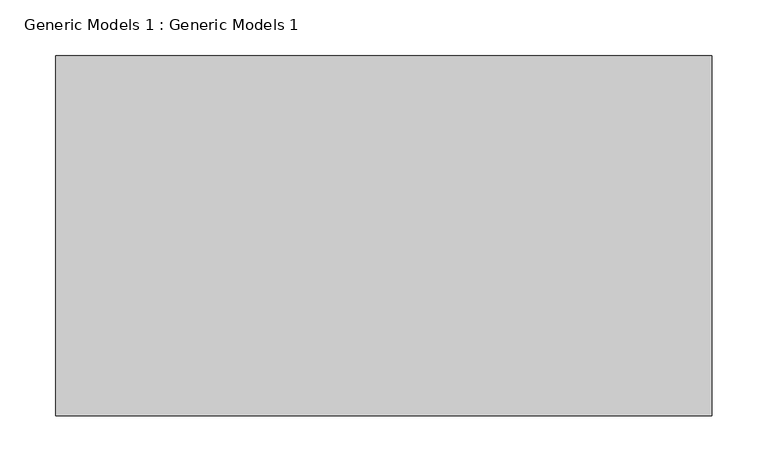
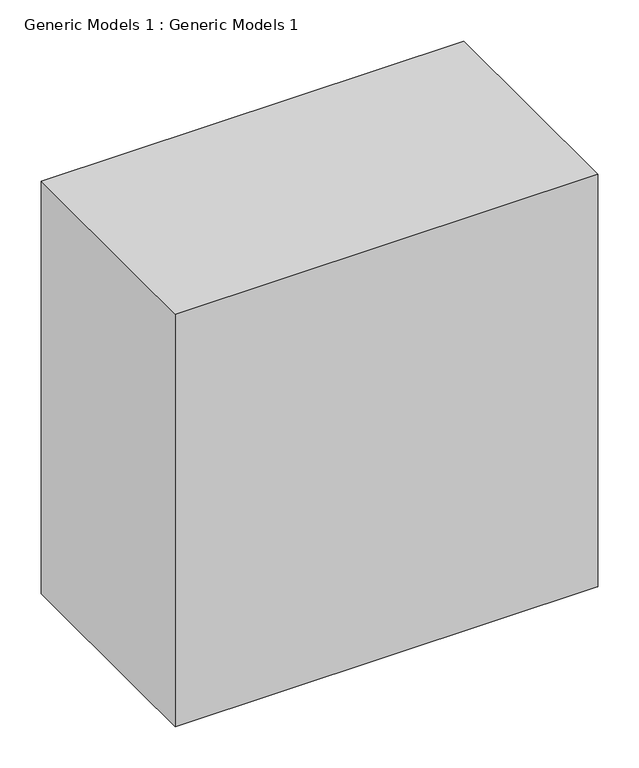
"""IFC4 building model written with IfcOpenShell, lengths in millimetres: proxy geometry, Generic Models 1 : Generic Models 1."""

from ifc_helpers import new_model, si_unit, origin, place, context, project, spatial, faceted_brep, source, transform, mapped, element, save


def generic_models_1_generic_models_1_a4f8b64b(model_context):
    return source(origin(), model_context, "Body", "Brep", [
        faceted_brep([(3575.529801, 6306.0784674, -609.6), (3575.529801, 5982.2284674, -609.6), (3575.0071868, 5982.2284674, -609.6), (2984.979801, 5982.2284674, -609.6), (2984.979801, 6070.0031373, -609.6), (2984.979801, 6306.0784674, -609.6), (3575.529801, 6306.0784674, 0.0), (2984.979801, 6306.0784674, 0.0), (2984.979801, 6070.0031373, 0.0), (2984.979801, 5982.2284674, 0.0), (3575.0071868, 5982.2284674, 0.0), (3575.529801, 5982.2284674, 0.0), (2984.979801, 6306.0784674, -254.0), (2984.979801, 6306.0784674, -127.0), (2984.979801, 5982.2284674, -254.0), (2984.979801, 5982.2284674, -127.0)], [[[0, 1, 2, 3, 4, 5]], [[6, 7, 8, 9, 10, 11]], [[7, 6, 0, 5, 12, 13]], [[9, 8, 7, 13, 12, 5, 4, 3, 14, 15]], [[11, 10, 9, 15, 14, 3, 2, 1]], [[6, 11, 1, 0]]]),
    ])


if __name__ == "__main__":
    model = new_model("IFC4")
    model_context = context("Model", 3, world=origin())
    ifc_project = project(units=[si_unit("LENGTHUNIT", "METRE", prefix="MILLI")], contexts=[model_context])
    site = spatial("IfcSite", under=ifc_project)
    building = spatial("IfcBuilding", under=site)
    placement = place(None, origin())
    generic_models_1_generic_models_1_shape = generic_models_1_generic_models_1_a4f8b64b(model_context)
    element("IfcBuildingElementProxy", 1, Name="Generic Models 1 : Generic Models 1", ObjectType="Generic Models 1 : Generic Models 1", at=placement, inside=building, context=model_context, shape_type="MappedRepresentation", body=[
        mapped(generic_models_1_generic_models_1_shape, transform((0.0, 0.0, 0.0), x_axis=(1.0, 0.0, 0.0), y_axis=(0.0, 1.0, 0.0), z_axis=(0.0, 0.0, 1.0))),
    ])
    save(model, "model.ifc")
